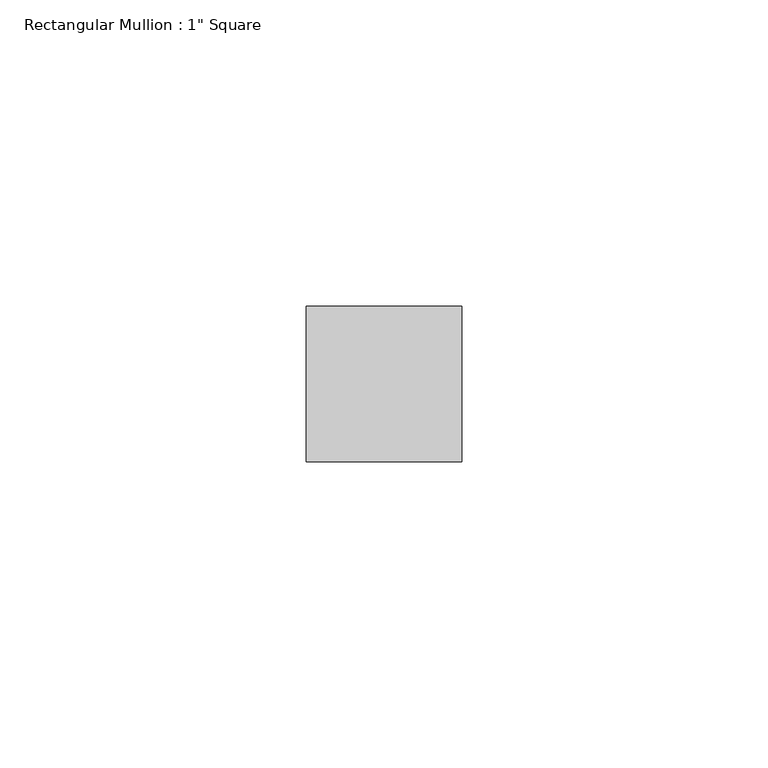
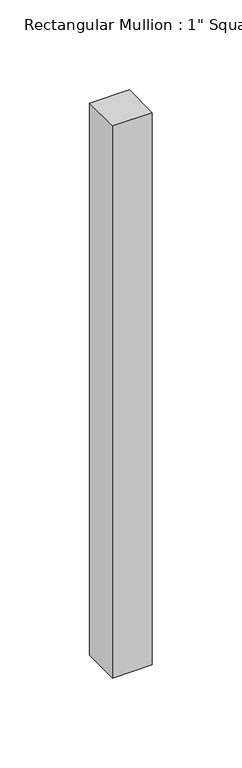
"""IFC4 building model written with IfcOpenShell, lengths in millimetres: member geometry."""

from ifc_helpers import new_model, si_unit, frame, origin, place, context, project, spatial, polyline, outline, extrude, source, transform, mapped, element, save


def member_692168b0(model_context):
    return source(origin(), model_context, "Body", "SweptSolid", [
        extrude(outline(polyline([(12.7, 12.7), (12.7, -12.7), (-12.7, -12.7), (-12.7, 12.7), (12.7, 12.7)])), frame((0.0, 0.0, -374.65), z_axis=(0.0, 0.0, 1.0), x_axis=(1.0, 0.0, 0.0)), (0.0, 0.0, 1.0), 374.65),
    ])


if __name__ == "__main__":
    model = new_model("IFC4")
    model_context = context("Model", 3, world=origin())
    ifc_project = project(units=[si_unit("LENGTHUNIT", "METRE", prefix="MILLI")], contexts=[model_context])
    site = spatial("IfcSite", under=ifc_project)
    building = spatial("IfcBuilding", under=site)
    placement = place(None, origin())
    member_shape = member_692168b0(model_context)
    element("IfcMember", 1, ObjectType="Rectangular Mullion : 1\" Square", at=placement, inside=building, context=model_context, shape_type="MappedRepresentation", body=[
        mapped(member_shape, transform((0.0, 0.0, 0.0), x_axis=(1.0, 0.0, 0.0), y_axis=(0.0, 1.0, 0.0), z_axis=(0.0, 0.0, 1.0))),
    ])
    save(model, "model.ifc")
